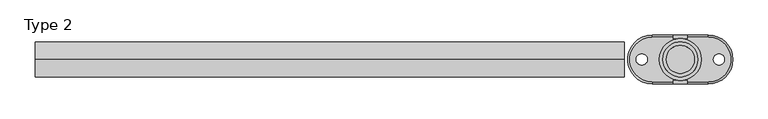
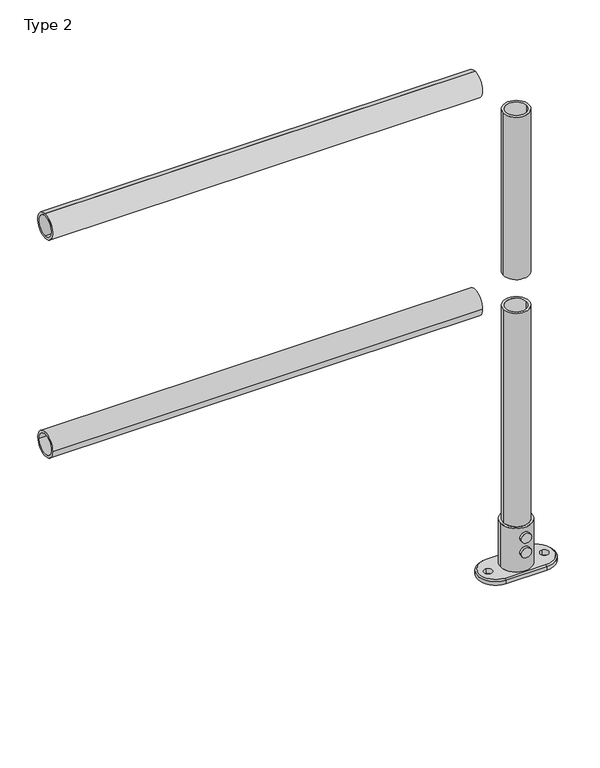
"""IFC4 building model written with IfcOpenShell, lengths in millimetres: proxy geometry, Type 2."""

from ifc_helpers import new_model, si_unit, point, frame, frame_2d, origin, place, context, project, spatial, polyline, circle_curve, trimmed, segment, composite_curve, outline, extrude, source, transform, mapped, element, save
from ifc_brep_helpers import plane_surface, cylinder_surface, revolved_surface, advanced_brep


def type_2_4baadf78(model_context):
    return source(origin(), model_context, "Body", "SolidModel", [
        extrude(outline(composite_curve([segment(trimmed(circle_curve(frame_2d((0.0, 575.0)), 25.0), [point((-25.0, 575.0))], [point((25.0, 575.0))], False, "CARTESIAN"), True, "CONTINUOUS"), segment(trimmed(circle_curve(frame_2d((0.0, 575.0)), 25.0), [point((25.0, 575.0))], [point((-25.0, 575.0))], False, "CARTESIAN"), True, "CONTINUOUS")], self_intersect=False), holes=[composite_curve([segment(trimmed(circle_curve(frame_2d((0.0, 575.0)), 20.0), [point((-20.0, 575.0))], [point((20.0, 575.0))], True, "CARTESIAN"), True, "CONTINUOUS"), segment(trimmed(circle_curve(frame_2d((0.0, 575.0)), 20.0), [point((20.0, 575.0))], [point((-20.0, 575.0))], True, "CARTESIAN"), True, "CONTINUOUS")], self_intersect=False)]), frame((80.0, 0.0, 0.0), z_axis=(1.0, 0.0, 0.0), x_axis=(0.0, 1.0, 0.0)), (0.0, 0.0, 1.0), 840.0),
        extrude(outline(composite_curve([segment(trimmed(circle_curve(frame_2d((0.0, 1025.0)), 25.0), [point((0.0, 1050.0))], [point((0.0, 1000.0))], False, "CARTESIAN"), True, "CONTINUOUS"), segment(trimmed(circle_curve(frame_2d((0.0, 1025.0)), 25.0), [point((0.0, 1000.0))], [point((0.0, 1050.0))], False, "CARTESIAN"), True, "CONTINUOUS")], self_intersect=False), holes=[composite_curve([segment(trimmed(circle_curve(frame_2d((0.0, 1025.0)), 20.0), [point((0.0, 1045.0))], [point((0.0, 1005.0))], True, "CARTESIAN"), True, "CONTINUOUS"), segment(trimmed(circle_curve(frame_2d((0.0, 1025.0)), 20.0), [point((0.0, 1005.0))], [point((0.0, 1045.0))], True, "CARTESIAN"), True, "CONTINUOUS")], self_intersect=False)]), frame((80.0, 0.0, 0.0), z_axis=(1.0, 0.0, 0.0), x_axis=(0.0, 1.0, 0.0)), (0.0, 0.0, 1.0), 840.0),
        extrude(outline(composite_curve([segment(trimmed(circle_curve(frame_2d((1000.0, 0.0)), 25.0), [point((975.0, 0.0))], [point((1025.0, 0.0))], False, "CARTESIAN"), True, "CONTINUOUS"), segment(trimmed(circle_curve(frame_2d((1000.0, 0.0)), 25.0), [point((1025.0, 0.0))], [point((975.0, 0.0))], False, "CARTESIAN"), True, "CONTINUOUS")], self_intersect=False), holes=[composite_curve([segment(trimmed(circle_curve(frame_2d((1000.0, 0.0)), 20.0), [point((980.0, 0.0))], [point((1020.0, 0.0))], True, "CARTESIAN"), True, "CONTINUOUS"), segment(trimmed(circle_curve(frame_2d((1000.0, 0.0)), 20.0), [point((1020.0, 0.0))], [point((980.0, 0.0))], True, "CARTESIAN"), True, "CONTINUOUS")], self_intersect=False)]), frame((0.0, 0.0, 610.0), z_axis=(0.0, 0.0, 1.0), x_axis=(1.0, 0.0, 0.0)), (0.0, 0.0, 1.0), 335.0),
        extrude(outline(composite_curve([segment(trimmed(circle_curve(frame_2d((1000.0, 0.0)), 25.0), [point((1025.0, 0.0))], [point((975.0, 0.0))], False, "CARTESIAN"), True, "CONTINUOUS"), segment(trimmed(circle_curve(frame_2d((1000.0, 0.0)), 25.0), [point((975.0, 0.0))], [point((1025.0, 0.0))], False, "CARTESIAN"), True, "CONTINUOUS")], self_intersect=False), holes=[composite_curve([segment(trimmed(circle_curve(frame_2d((1000.0, 0.0)), 20.0), [point((1020.0, 0.0))], [point((980.0, 0.0))], True, "CARTESIAN"), True, "CONTINUOUS"), segment(trimmed(circle_curve(frame_2d((1000.0, 0.0)), 20.0), [point((980.0, 0.0))], [point((1020.0, 0.0))], True, "CARTESIAN"), True, "CONTINUOUS")], self_intersect=False)]), frame((0.0, 0.0, 100.0), z_axis=(0.0, 0.0, 1.0), x_axis=(1.0, 0.0, 0.0)), (0.0, 0.0, 1.0), 440.0),
        extrude(outline(composite_curve([segment(trimmed(circle_curve(frame_2d((80.0, 1000.0)), 10.0), [point((80.0, 990.0))], [point((80.0, 1010.0))], False, "CARTESIAN"), True, "CONTINUOUS"), segment(trimmed(circle_curve(frame_2d((80.0, 1000.0)), 10.0), [point((80.0, 1010.0))], [point((80.0, 990.0))], False, "CARTESIAN"), True, "CONTINUOUS")], self_intersect=False)), frame((0.0, 30.0, 0.0), z_axis=(0.0, 1.0, 0.0), x_axis=(0.0, 0.0, 1.0)), (0.0, 0.0, 1.0), 5.0),
        extrude(outline(composite_curve([segment(trimmed(circle_curve(frame_2d((50.0, 1000.0)), 10.0), [point((50.0, 990.0))], [point((50.0, 1010.0))], False, "CARTESIAN"), True, "CONTINUOUS"), segment(trimmed(circle_curve(frame_2d((50.0, 1000.0)), 10.0), [point((50.0, 1010.0))], [point((50.0, 990.0))], False, "CARTESIAN"), True, "CONTINUOUS")], self_intersect=False)), frame((0.0, 30.0, 0.0), z_axis=(0.0, 1.0, 0.0), x_axis=(0.0, 0.0, 1.0)), (0.0, 0.0, 1.0), 5.0),
        extrude(outline(composite_curve([segment(trimmed(circle_curve(frame_2d((80.0, 1000.0)), 10.0), [point((80.0, 990.0))], [point((80.0, 1010.0))], False, "CARTESIAN"), True, "CONTINUOUS"), segment(trimmed(circle_curve(frame_2d((80.0, 1000.0)), 10.0), [point((80.0, 1010.0))], [point((80.0, 990.0))], False, "CARTESIAN"), True, "CONTINUOUS")], self_intersect=False)), frame((0.0, -35.0, 0.0), z_axis=(0.0, 1.0, 0.0), x_axis=(0.0, 0.0, 1.0)), (0.0, 0.0, 1.0), 5.0),
        extrude(outline(composite_curve([segment(trimmed(circle_curve(frame_2d((50.0, 1000.0)), 10.0), [point((50.0, 990.0))], [point((50.0, 1010.0))], False, "CARTESIAN"), True, "CONTINUOUS"), segment(trimmed(circle_curve(frame_2d((50.0, 1000.0)), 10.0), [point((50.0, 1010.0))], [point((50.0, 990.0))], False, "CARTESIAN"), True, "CONTINUOUS")], self_intersect=False)), frame((0.0, -35.0, 0.0), z_axis=(0.0, 1.0, 0.0), x_axis=(0.0, 0.0, 1.0)), (0.0, 0.0, 1.0), 5.0),
        advanced_brep(
        [(1025.0, 0.0, 10.0), (975.0, 0.0, 10.0), (1040.0, -32.0, 10.0), (1040.0, 32.0, 10.0), (960.0, 32.0, 10.0), (960.0, -32.0, 10.0), (1030.0, 0.0, 10.0), (970.0, 0.0, 10.0), (945.0, -8.0, 10.0), (945.0, 8.0, 10.0), (1055.0, -8.0, 10.0), (1055.0, 8.0, 10.0), (1040.0, 35.0, 0.0), (1040.0, -35.0, 0.0), (960.0, -35.0, 0.0), (960.0, 35.0, 0.0), (945.0, 8.0, 0.0), (945.0, -8.0, 0.0), (1055.0, 8.0, 0.0), (1055.0, -8.0, 0.0), (960.0, 35.0, 7.0), (1040.0, 35.0, 7.0), (960.0, -35.0, 7.0), (1040.0, -35.0, 7.0), (970.0, 0.0, 100.0), (1030.0, 0.0, 100.0), (975.0, 0.0, 100.0), (1025.0, 0.0, 100.0)],
        [
            (0, 1, circle_curve(frame((1000.0, 0.0, 10.0), z_axis=(0.0, 0.0, 1.0), x_axis=(1.0, 0.0, 0.0)), 25.0)),
            (1, 0, circle_curve(frame((1000.0, 0.0, 10.0), z_axis=(0.0, 0.0, 1.0), x_axis=(1.0, 0.0, 0.0)), 25.0)),
            (2, 3, circle_curve(frame((1040.0, 0.0, 10.0), z_axis=(0.0, 0.0, 1.0), x_axis=(0.0, -1.0, 0.0)), 32.0)),
            (3, 4),
            (4, 5, circle_curve(frame((960.0, 0.0, 10.0), z_axis=(0.0, 0.0, 1.0), x_axis=(0.0, 1.0, 0.0)), 32.0)),
            (5, 2),
            (6, 7, circle_curve(frame((1000.0, 0.0, 10.0), z_axis=(0.0, 0.0, -1.0), x_axis=(1.0, 0.0, 0.0)), 30.0)),
            (7, 6, circle_curve(frame((1000.0, 0.0, 10.0), z_axis=(0.0, 0.0, -1.0), x_axis=(1.0, 0.0, 0.0)), 30.0)),
            (8, 9, circle_curve(frame((945.0, 0.0, 10.0), z_axis=(0.0, 0.0, -1.0), x_axis=(0.0, 1.0, 0.0)), 8.0)),
            (9, 8, circle_curve(frame((945.0, 0.0, 10.0), z_axis=(0.0, 0.0, -1.0), x_axis=(0.0, 1.0, 0.0)), 8.0)),
            (10, 11, circle_curve(frame((1055.0, 0.0, 10.0), z_axis=(0.0, 0.0, -1.0), x_axis=(0.0, 1.0, 0.0)), 8.0)),
            (11, 10, circle_curve(frame((1055.0, 0.0, 10.0), z_axis=(0.0, 0.0, -1.0), x_axis=(0.0, 1.0, 0.0)), 8.0)),
            (12, 13, circle_curve(frame((1040.0, 0.0, 0.0), z_axis=(0.0, 0.0, -1.0), x_axis=(1.0, 0.0, 0.0)), 35.0)),
            (13, 14),
            (14, 15, circle_curve(frame((960.0, 0.0, 0.0), z_axis=(0.0, 0.0, -1.0), x_axis=(1.0, 0.0, 0.0)), 35.0)),
            (15, 12),
            (16, 17, circle_curve(frame((945.0, 0.0, 0.0), z_axis=(0.0, 0.0, 1.0), x_axis=(0.0, 1.0, 0.0)), 8.0)),
            (17, 16, circle_curve(frame((945.0, 0.0, 0.0), z_axis=(0.0, 0.0, 1.0), x_axis=(0.0, 1.0, 0.0)), 8.0)),
            (18, 19, circle_curve(frame((1055.0, 0.0, 0.0), z_axis=(0.0, 0.0, 1.0), x_axis=(0.0, 1.0, 0.0)), 8.0)),
            (19, 18, circle_curve(frame((1055.0, 0.0, 0.0), z_axis=(0.0, 0.0, 1.0), x_axis=(0.0, 1.0, 0.0)), 8.0)),
            (15, 20),
            (20, 21),
            (21, 12),
            (14, 22),
            (22, 20, circle_curve(frame((960.0, 0.0, 7.0), z_axis=(0.0, 0.0, -1.0), x_axis=(1.0, 0.0, 0.0)), 35.0)),
            (13, 23),
            (23, 22),
            (21, 23, circle_curve(frame((1040.0, 0.0, 7.0), z_axis=(0.0, 0.0, -1.0), x_axis=(1.0, 0.0, 0.0)), 35.0)),
            (24, 25, circle_curve(frame((1000.0, 0.0, 100.0), z_axis=(0.0, 0.0, 1.0), x_axis=(1.0, 0.0, 0.0)), 30.0)),
            (25, 24, circle_curve(frame((1000.0, 0.0, 100.0), z_axis=(0.0, 0.0, 1.0), x_axis=(1.0, 0.0, 0.0)), 30.0)),
            (26, 27, circle_curve(frame((1000.0, 0.0, 100.0), z_axis=(0.0, 0.0, -1.0), x_axis=(1.0, 0.0, 0.0)), 25.0)),
            (27, 26, circle_curve(frame((1000.0, 0.0, 100.0), z_axis=(0.0, 0.0, -1.0), x_axis=(1.0, 0.0, 0.0)), 25.0)),
            (24, 7),
            (6, 25),
            (26, 1),
            (0, 27),
            (21, 3),
            (2, 23),
            (20, 4),
            (22, 5),
            (16, 9),
            (8, 17),
            (18, 11),
            (10, 19),
        ],
        [
            plane_surface(frame((960.0, 35.0, 10.0), z_axis=(0.0, 0.0, 1.0), x_axis=(-1.0, 0.0, 0.0))),
            plane_surface(frame((960.0, 35.0, 0.0), z_axis=(0.0, 0.0, -1.0), x_axis=(1.0, 0.0, 0.0))),
            plane_surface(frame((1040.0, 35.0, 10.0), z_axis=(0.0, 1.0, 0.0), x_axis=(0.0, 0.0, -1.0))),
            cylinder_surface(frame((960.0, 0.0, 0.0), z_axis=(0.0, 0.0, 1.0), x_axis=(1.0, 0.0, 0.0)), 35.0),
            plane_surface(frame((960.0, -35.0, 10.0), z_axis=(0.0, -1.0, 0.0), x_axis=(0.0, 0.0, -1.0))),
            cylinder_surface(frame((1040.0, 0.0, 0.0), z_axis=(0.0, 0.0, 1.0), x_axis=(1.0, 0.0, 0.0)), 35.0),
            plane_surface(frame((1030.0, 0.0, 100.0), z_axis=(0.0, 0.0, 1.0), x_axis=(0.0, 1.0, 0.0))),
            cylinder_surface(frame((1000.0, 0.0, 0.0), z_axis=(0.0, 0.0, 1.0), x_axis=(1.0, 0.0, 0.0)), 30.0),
            revolved_surface(polyline([(1025.0, 0.0, 10.0), (1025.0, 0.0, 100.0)]), (1000.0, 0.0, 0.0), (0.0, 0.0, -1.0)),
            revolved_surface(polyline([(1040.0, -35.0, 7.0), (1040.0, -32.0, 10.0)]), (1040.0, 0.0, 10.0), (0.0, 0.0, 1.0)),
            plane_surface(frame((1040.0, 32.0, 10.0), z_axis=(0.0, 0.7071067811865211, 0.707106781186574), x_axis=(-1.0, 0.0, 0.0))),
            revolved_surface(polyline([(960.0, 35.0, 7.0), (960.0, 32.0, 10.0)]), (960.0, 0.0, 10.0), (0.0, 0.0, 1.0)),
            plane_surface(frame((960.0, -32.0, 10.0), z_axis=(0.0, -0.7071067811865211, 0.707106781186574), x_axis=(1.0, 0.0, 0.0))),
            revolved_surface(polyline([(945.0, 8.0, 0.0), (945.0, 8.0, 10.0)]), (945.0, 0.0, 10.0), (0.0, 0.0, -1.0)),
            revolved_surface(polyline([(1055.0, 8.0, 0.0), (1055.0, 8.0, 10.0)]), (1055.0, 0.0, 0.0), (0.0, 0.0, -1.0)),
        ],
        [
            (0, [[1, 2]]),
            (0, [[3, 4, 5, 6], [7, 8], [9, 10], [11, 12]]),
            (1, [[13, 14, 15, 16], [17, 18], [19, 20]]),
            (2, [[-16, 21, 22, 23]]),
            (3, [[-15, 24, 25, -21]]),
            (4, [[-14, 26, 27, -24]]),
            (5, [[-13, -23, 28, -26]]),
            (6, [[29, 30], [31, 32]]),
            (7, [[-29, 33, -7, 34]]),
            (7, [[-30, -34, -8, -33]]),
            (8, [[-31, 35, -1, 36]]),
            (8, [[-32, -36, -2, -35]]),
            (9, [[37, -3, 38, -28]]),
            (10, [[-37, -22, 39, -4]]),
            (11, [[-39, -25, 40, -5]]),
            (12, [[-38, -6, -40, -27]]),
            (13, [[41, -9, 42, -17]]),
            (13, [[-41, -18, -42, -10]]),
            (14, [[43, -11, 44, -19]]),
            (14, [[-43, -20, -44, -12]]),
        ],
    ),
    ])


if __name__ == "__main__":
    model = new_model("IFC4")
    model_context = context("Model", 3, world=origin())
    ifc_project = project(units=[si_unit("LENGTHUNIT", "METRE", prefix="MILLI")], contexts=[model_context])
    site = spatial("IfcSite", under=ifc_project)
    building = spatial("IfcBuilding", under=site)
    placement = place(None, origin())
    type_2_shape = type_2_4baadf78(model_context)
    element("IfcBuildingElementProxy", 1, Name="Type 2", ObjectType="Type 2", at=placement, inside=building, context=model_context, shape_type="MappedRepresentation", body=[
        mapped(type_2_shape, transform((0.0, 0.0, 0.0), x_axis=(1.0, 0.0, 0.0), y_axis=(0.0, 1.0, 0.0), z_axis=(0.0, 0.0, 1.0))),
    ])
    save(model, "model.ifc")
